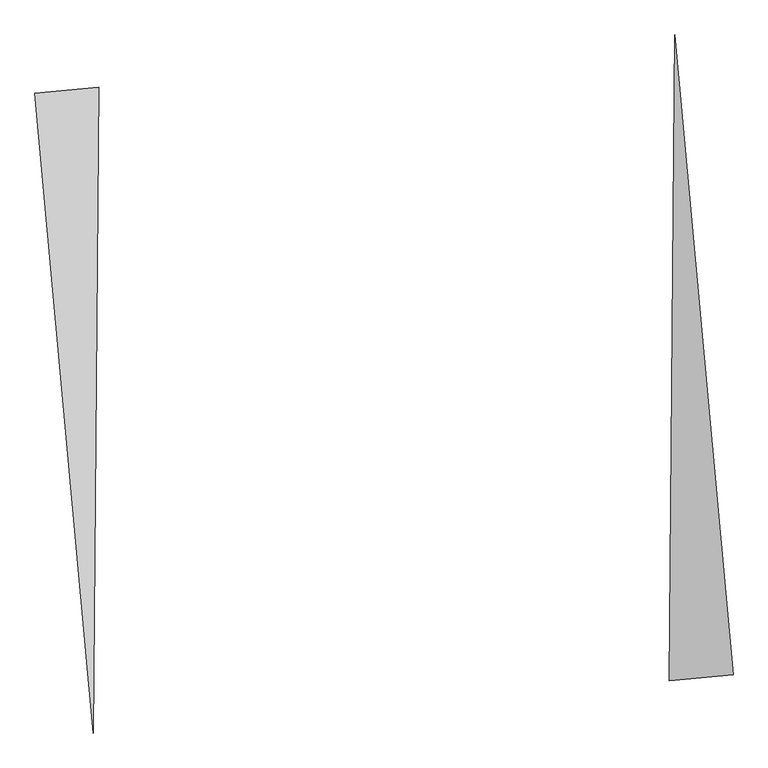
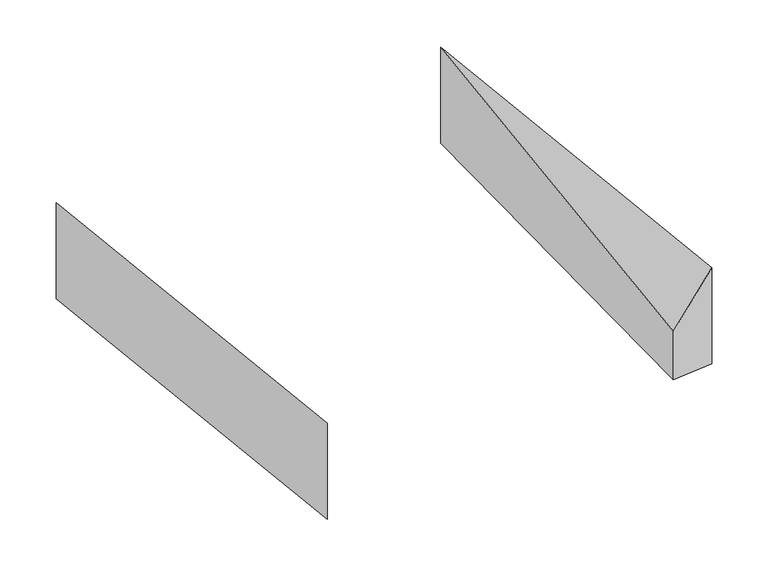
"""IFC4 building model written with IfcOpenShell, lengths in millimetres: proxy geometry."""

from ifc_helpers import new_model, si_unit, origin, place, context, project, spatial, faceted_brep, source, transform, mapped, element, save


def generic_models_2372b744(model_context):
    return source(origin(), model_context, "Body", "Brep", [
        faceted_brep([(-1774.5006224, 1846.9292193, 0.0), (-2172.857905, 1810.7149209, 0.0), (-2172.857905, 1810.7149209, 1000.0), (-1774.5006224, 1846.9292193, 500.0), (-1810.7149209, -2172.857905, 0.0), (-1810.7149209, -2172.857905, 1000.0)], [[[0, 1, 2, 3]], [[1, 4, 5, 2]], [[4, 0, 3, 5]], [[3, 2, 5]], [[0, 4, 1]]]),
        faceted_brep([(2172.857905, -1810.7149209, 0.0), (1810.7149209, 2172.857905, 0.0), (1810.7149209, 2172.857905, 1000.0), (2172.857905, -1810.7149209, 1000.0), (1774.5006224, -1846.9292193, 0.0), (1774.5006224, -1846.9292193, 500.0)], [[[0, 1, 2, 3]], [[1, 4, 5, 2]], [[4, 0, 3, 5]], [[2, 5, 3]], [[0, 4, 1]]]),
    ])


if __name__ == "__main__":
    model = new_model("IFC4")
    model_context = context("Model", 3, world=origin())
    ifc_project = project(units=[si_unit("LENGTHUNIT", "METRE", prefix="MILLI")], contexts=[model_context])
    site = spatial("IfcSite", under=ifc_project)
    building = spatial("IfcBuilding", under=site)
    placement = place(None, origin())
    generic_models_shape = generic_models_2372b744(model_context)
    element("IfcBuildingElementProxy", 1, Name="Generic Models", at=placement, inside=building, context=model_context, shape_type="MappedRepresentation", body=[
        mapped(generic_models_shape, transform((0.0, 0.0, 0.0), x_axis=(1.0, 0.0, 0.0), y_axis=(0.0, 1.0, 0.0), z_axis=(0.0, 0.0, 1.0))),
    ])
    save(model, "model.ifc")
